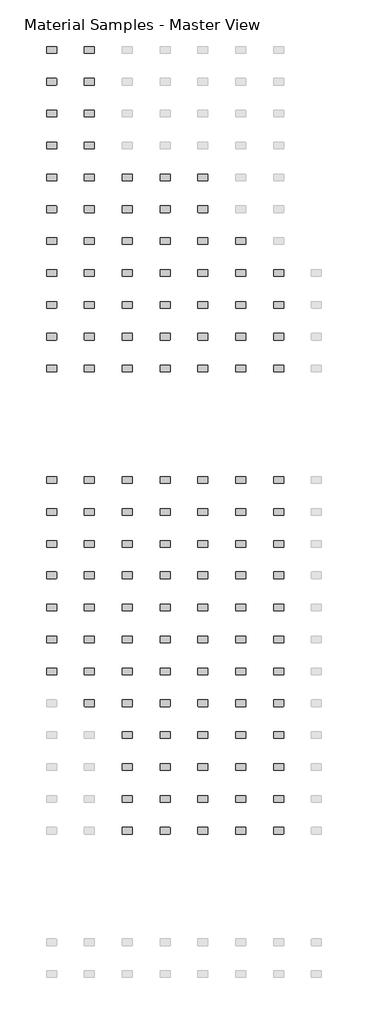
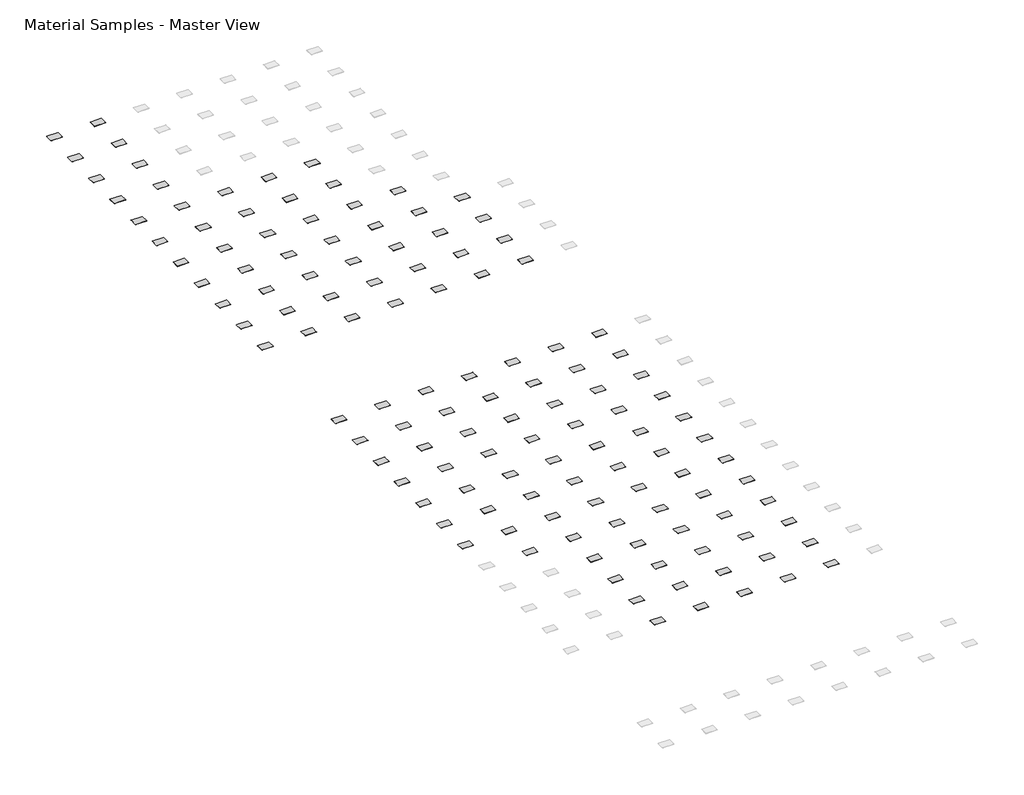
# One storey, part 7 of 12: 127 furniture elements.
"""IFC4 building model written with IfcOpenShell, lengths in millimetres."""

import ifcopenshell
import ifcopenshell.guid

model = None  # the IFC model being written
_history = None  # IfcOwnerHistory: only IFC2X3 demands one
_inside = {}  # id of a spatial element -> (the spatial element, [elements in it])
_under = {}  # id of a project, library or spatial element -> (it, [spatial elements below it])
_declared = {}  # id of a project -> (the project, [libraries it declares])
_typed = {}  # id of a type object -> (the type object, [elements of that type])
_made_of = {}  # id of a material, layer set ... -> (it, [elements and type objects made of it])


def new_model(schema):
    """Start an empty IFC model of exactly this schema.

    Asked for "IFC4X3", IfcOpenShell would pick the latest addendum, in which some entities
    have other attributes; the version numbers below select the first issue.
    IFC2X3 requires an IfcOwnerHistory on every rooted entity: one is made here for all.
    """
    global model, _history
    if schema == "IFC4X3":
        model = ifcopenshell.file(schema_version=(4, 3, 0, 0))
    else:
        model = ifcopenshell.file(schema=schema)
    _inside.clear()
    _under.clear()
    _declared.clear()
    _typed.clear()
    _made_of.clear()
    _history = None
    if model.schema == "IFC2X3":
        org = make("IfcOrganization", Name="unknown")
        user = make(
            "IfcPersonAndOrganization",
            ThePerson=make("IfcPerson", FamilyName="unknown"),
            TheOrganization=org,
        )
        app = make(
            "IfcApplication",
            ApplicationDeveloper=org,
            Version="unknown",
            ApplicationFullName="unknown",
            ApplicationIdentifier="unknown",
        )
        _history = make(
            "IfcOwnerHistory",
            OwningUser=user,
            OwningApplication=app,
            ChangeAction="ADDED",
            CreationDate=0,
        )
    return model


def make(cls, **values):
    """One entity of the class cls with the attributes given. An attribute that is None is left unset."""
    return model.create_entity(
        cls, **{name: value for name, value in values.items() if value is not None}
    )


def rooted(cls, **values):
    """An entity with a GlobalId (a new one), such as an element, a storey or a relation."""
    return make(cls, GlobalId=ifcopenshell.guid.new(), OwnerHistory=_history, **values)


def si_unit(unit_type, name, prefix=None):
    """IfcSIUnit, for example si_unit("LENGTHUNIT", "METRE", prefix="MILLI")."""
    return make("IfcSIUnit", UnitType=unit_type, Prefix=prefix, Name=name)


def assignment(units):
    """IfcUnitAssignment: the units of a project."""
    return None if units is None else make("IfcUnitAssignment", Units=units)


def point(xyz):
    """IfcCartesianPoint."""
    return None if xyz is None else make("IfcCartesianPoint", Coordinates=xyz)


def direction(xyz):
    """IfcDirection."""
    return None if xyz is None else make("IfcDirection", DirectionRatios=xyz)


def frame(location, z_axis=None, x_axis=None):
    """IfcAxis2Placement3D, a coordinate frame: its origin and axes. An axis left out is left unset."""
    return make(
        "IfcAxis2Placement3D",
        Location=point(location),
        Axis=direction(z_axis),
        RefDirection=direction(x_axis),
    )


def frame_2d(location, x_axis=None):
    """IfcAxis2Placement2D, a coordinate frame in the plane: its origin and x axis."""
    return make(
        "IfcAxis2Placement2D", Location=point(location), RefDirection=direction(x_axis)
    )


def origin():
    """The frame at (0, 0, 0) with its axes left unset."""
    return frame((0.0, 0.0, 0.0))


def place(relative_to, where):
    """IfcLocalPlacement: puts the frame where relative to a parent placement (None: the world)."""
    return make(
        "IfcLocalPlacement", PlacementRelTo=relative_to, RelativePlacement=where
    )


def context(
    kind, dimensions, precision=None, world=None, true_north=None, identifier=None
):
    """IfcGeometricRepresentationContext, for example the 3D "Model" context."""
    return make(
        "IfcGeometricRepresentationContext",
        ContextIdentifier=identifier,
        ContextType=kind,
        CoordinateSpaceDimension=dimensions,
        Precision=precision,
        WorldCoordinateSystem=world,
        TrueNorth=true_north,
    )


def project(units=None, contexts=None):
    """IfcProject with its units and contexts."""
    return rooted(
        "IfcProject",
        Name="project",
        RepresentationContexts=contexts,
        UnitsInContext=assignment(units),
    )


def spatial(cls, under=None, at=None, **own):
    """A site, building, storey or space (cls), placed at a placement, below another one or the project."""
    s = rooted(cls, ObjectPlacement=at, **own)
    if under is not None:
        _under.setdefault(under.id(), (under, []))[1].append(s)
    return s


def polyline(points):
    """IfcPolyline through the points."""
    return make("IfcPolyline", Points=[point(p) for p in points])


def circle_curve(where, radius):
    """IfcCircle in the frame where."""
    return make("IfcCircle", Position=where, Radius=radius)


def trimmed(basis, trim1, trim2, sense, master):
    """IfcTrimmedCurve: the piece of a basis curve between two trims."""
    return make(
        "IfcTrimmedCurve",
        BasisCurve=basis,
        Trim1=trim1,
        Trim2=trim2,
        SenseAgreement=sense,
        MasterRepresentation=master,
    )


def segment(curve, same_sense, transition):
    """IfcCompositeCurveSegment."""
    return make(
        "IfcCompositeCurveSegment",
        Transition=transition,
        SameSense=same_sense,
        ParentCurve=curve,
    )


def composite_curve(segments, self_intersect=None):
    """IfcCompositeCurve: segments joined end to end."""
    return make("IfcCompositeCurve", Segments=segments, SelfIntersect=self_intersect)


def outline(outer, holes=None, kind="AREA"):
    """IfcArbitraryClosedProfileDef: a profile drawn as a closed curve; with holes, ...WithVoids."""
    if holes is None:
        return make("IfcArbitraryClosedProfileDef", ProfileType=kind, OuterCurve=outer)
    return make(
        "IfcArbitraryProfileDefWithVoids",
        ProfileType=kind,
        OuterCurve=outer,
        InnerCurves=holes,
    )


def extrude(swept, where, along, depth):
    """IfcExtrudedAreaSolid: the profile swept, set in the frame where, extruded along a direction by depth."""
    return make(
        "IfcExtrudedAreaSolid",
        SweptArea=swept,
        Position=where,
        ExtrudedDirection=direction(along),
        Depth=depth,
    )


def shape(context_of_items, identifier, shape_type, items):
    """IfcShapeRepresentation: the items that make up one representation, for example the "Body"."""
    return make(
        "IfcShapeRepresentation",
        ContextOfItems=context_of_items,
        RepresentationIdentifier=identifier,
        RepresentationType=shape_type,
        Items=items,
    )


def source(mapping_origin, context_of_items, identifier, shape_type, items):
    """IfcRepresentationMap: a shape defined once, which mapped items show again and again."""
    return make(
        "IfcRepresentationMap",
        MappingOrigin=mapping_origin,
        MappedRepresentation=shape(context_of_items, identifier, shape_type, items),
    )


def transform(
    local_origin,
    x_axis=None,
    y_axis=None,
    z_axis=None,
    scale=None,
    scale2=None,
    scale3=None,
    uniform=True,
):
    """IfcCartesianTransformationOperator3D, or its non-uniform kind. x_axis, y_axis, z_axis: its Axis1, 2, 3."""
    if uniform:
        return make(
            "IfcCartesianTransformationOperator3D",
            Axis1=direction(x_axis),
            Axis2=direction(y_axis),
            LocalOrigin=point(local_origin),
            Scale=scale,
            Axis3=direction(z_axis),
        )
    return make(
        "IfcCartesianTransformationOperator3DnonUniform",
        Axis1=direction(x_axis),
        Axis2=direction(y_axis),
        LocalOrigin=point(local_origin),
        Scale=scale,
        Axis3=direction(z_axis),
        Scale2=scale2,
        Scale3=scale3,
    )


def mapped(mapping_source, mapping_target):
    """IfcMappedItem: shows the shape of a source again, moved by a transform."""
    return make(
        "IfcMappedItem", MappingSource=mapping_source, MappingTarget=mapping_target
    )


def made_of(thing, what):
    """Note that an element or type object is made of a material, layer set ...; save() writes the relation."""
    if what is not None:
        _made_of.setdefault(what.id(), (what, []))[1].append(thing)
    return thing


def element(
    cls,
    number,
    at=None,
    inside=None,
    cuts=None,
    type_object=None,
    material=None,
    context=None,
    identifier="Body",
    shape_type=None,
    held_by="IfcProductDefinitionShape",
    body=None,
    shapes=None,
    **own,
):
    """One element of the class cls, such as IfcWall. Its Tag is "e" and its number.

    at: its placement. inside: the storey or other place that contains it. cuts: it is an
    opening in that element (IfcRelVoidsElement). A single representation is given by context,
    identifier, shape_type and body (its items); several are given by shapes. held_by: the class
    of the entity that holds the representations. save() writes the other relations.
    """
    e = rooted(cls, Tag="e%d" % number, ObjectPlacement=at, **own)
    if body is not None:
        shapes = [shape(context, identifier, shape_type, body)]
    if shapes is not None:
        e.Representation = make(held_by, Representations=shapes)
    if inside is not None:
        _inside.setdefault(inside.id(), (inside, []))[1].append(e)
    if cuts is not None:
        rooted(
            "IfcRelVoidsElement", RelatingBuildingElement=cuts, RelatedOpeningElement=e
        )
    if type_object is not None:
        _typed.setdefault(type_object.id(), (type_object, []))[1].append(e)
    return made_of(e, material)


def aggregate(whole, parts):
    """IfcRelAggregates: a whole, such as a stair, and the parts it consists of."""
    return rooted("IfcRelAggregates", RelatingObject=whole, RelatedObjects=parts)


def save(model, path):
    """Write the relations noted so far, then the file.

    IfcRelAggregates (storeys below a building ...), IfcRelContainedInSpatialStructure (elements
    in a storey), IfcRelDefinesByType, IfcRelAssociatesMaterial and IfcRelDeclares: one each for
    every whole, place, type object, material and project.
    """
    for whole, parts in _under.values():
        aggregate(whole, parts)
    for where, things in _inside.values():
        rooted(
            "IfcRelContainedInSpatialStructure",
            RelatedElements=things,
            RelatingStructure=where,
        )
    for kind, things in _typed.values():
        rooted("IfcRelDefinesByType", RelatedObjects=things, RelatingType=kind)
    for what, things in _made_of.values():
        rooted("IfcRelAssociatesMaterial", RelatedObjects=things, RelatingMaterial=what)
    for by, libraries in _declared.values():
        rooted("IfcRelDeclares", RelatingContext=by, RelatedDefinitions=libraries)
    model.write(path)


def furniture_2008_material_sample3_2x3x1_8_96bf408c(model_context):
    return source(origin(), model_context, "Body", "SweptSolid", [
        extrude(outline(composite_curve([segment(trimmed(circle_curve(frame_2d((21215.2392185, 10811.8982463)), 6.35), [point((21215.2392185, 10818.2482463))], [point((21221.5892185, 10811.8982463))], False, "CARTESIAN"), True, "CONTINUOUS"), segment(polyline([(21221.5892185, 10811.8982463), (21221.5892185, 10570.5982463)]), True, "CONTINUOUS"), segment(trimmed(circle_curve(frame_2d((21215.2392185, 10570.5982463)), 6.35), [point((21221.5892185, 10570.5982463))], [point((21215.2392185, 10564.2482463))], False, "CARTESIAN"), True, "CONTINUOUS"), segment(polyline([(21215.2392185, 10564.2482463), (20846.9392185, 10564.2482463)]), True, "CONTINUOUS"), segment(trimmed(circle_curve(frame_2d((20846.9392185, 10570.5982463)), 6.35), [point((20846.9392185, 10564.2482463))], [point((20840.5892185, 10570.5982463))], False, "CARTESIAN"), True, "CONTINUOUS"), segment(polyline([(20840.5892185, 10570.5982463), (20840.5892185, 10811.8982463)]), True, "CONTINUOUS"), segment(trimmed(circle_curve(frame_2d((20846.9392185, 10811.8982463)), 6.35), [point((20840.5892185, 10811.8982463))], [point((20846.9392185, 10818.2482463))], False, "CARTESIAN"), True, "CONTINUOUS"), segment(polyline([(20846.9392185, 10818.2482463), (21215.2392185, 10818.2482463)]), True, "CONTINUOUS")], self_intersect=False)), frame((0.0, 0.0, -3.175), z_axis=(0.0, 0.0, 1.0), x_axis=(1.0, 0.0, 0.0)), (0.0, 0.0, 1.0), 3.175),
    ])


model = new_model("IFC4")

# Units and contexts
model_context = context("Model", 3, world=origin())
ifc_project = project(units=[si_unit("LENGTHUNIT", "METRE", prefix="MILLI")], contexts=[model_context])

# Site, building, storey
site = spatial("IfcSite", under=ifc_project)
building = spatial("IfcBuilding", under=site)
storey = spatial("IfcBuildingStorey", under=building, Name="Material Samples - Master View", Elevation=0.0)

# Furniture
placement = place(None, origin())
furniture_2008_material_sample3_2x3x1_8_shape = furniture_2008_material_sample3_2x3x1_8_96bf408c(model_context)
element("IfcFurniture", 1, ObjectType="2008_Material Sample4 : 2x3x1/8", at=placement, inside=storey, context=model_context, shape_type="MappedRepresentation", body=[
    mapped(furniture_2008_material_sample3_2x3x1_8_shape, transform((-41929.7035306, -32016.6275291, 25.4), x_axis=(1.0, 0.0, 0.0), y_axis=(0.0, 1.0, 0.0), z_axis=(0.0, 0.0, 1.0))),
])
element("IfcFurniture", 2, ObjectType="2008_Material Sample4 : 2x3x1/8", at=placement, inside=storey, context=model_context, shape_type="MappedRepresentation", body=[
    mapped(furniture_2008_material_sample3_2x3x1_8_shape, transform((-40481.9035306, -32016.6275291, 25.4), x_axis=(1.0, 0.0, 0.0), y_axis=(0.0, 1.0, 0.0), z_axis=(0.0, 0.0, 1.0))),
])
element("IfcFurniture", 3, ObjectType="2008_Material Sample4 : 2x3x1/8", at=placement, inside=storey, context=model_context, shape_type="MappedRepresentation", body=[
    mapped(furniture_2008_material_sample3_2x3x1_8_shape, transform((-41929.7035306, -33235.8275291, 25.4), x_axis=(1.0, 0.0, 0.0), y_axis=(0.0, 1.0, 0.0), z_axis=(0.0, 0.0, 1.0))),
])
element("IfcFurniture", 4, ObjectType="2008_Material Sample4 : 2x3x1/8", at=placement, inside=storey, context=model_context, shape_type="MappedRepresentation", body=[
    mapped(furniture_2008_material_sample3_2x3x1_8_shape, transform((-40481.9035306, -33235.8275291, 25.4), x_axis=(1.0, 0.0, 0.0), y_axis=(0.0, 1.0, 0.0), z_axis=(0.0, 0.0, 1.0))),
])
element("IfcFurniture", 5, ObjectType="2008_Material Sample4 : 2x3x1/8", at=placement, inside=storey, context=model_context, shape_type="MappedRepresentation", body=[
    mapped(furniture_2008_material_sample3_2x3x1_8_shape, transform((-41929.5927492, -34455.0275291, 25.4), x_axis=(1.0, 0.0, 0.0), y_axis=(0.0, 1.0, 0.0), z_axis=(0.0, 0.0, 1.0))),
])
element("IfcFurniture", 6, ObjectType="2008_Material Sample4 : 2x3x1/8", at=placement, inside=storey, context=model_context, shape_type="MappedRepresentation", body=[
    mapped(furniture_2008_material_sample3_2x3x1_8_shape, transform((-40481.7927492, -34455.0275291, 25.4), x_axis=(1.0, 0.0, 0.0), y_axis=(0.0, 1.0, 0.0), z_axis=(0.0, 0.0, 1.0))),
])
element("IfcFurniture", 7, ObjectType="2008_Material Sample4 : 2x3x1/8", at=placement, inside=storey, context=model_context, shape_type="MappedRepresentation", body=[
    mapped(furniture_2008_material_sample3_2x3x1_8_shape, transform((-41929.7035306, -35674.2275291, 25.4), x_axis=(1.0, 0.0, 0.0), y_axis=(0.0, 1.0, 0.0), z_axis=(0.0, 0.0, 1.0))),
])
element("IfcFurniture", 8, ObjectType="2008_Material Sample4 : 2x3x1/8", at=placement, inside=storey, context=model_context, shape_type="MappedRepresentation", body=[
    mapped(furniture_2008_material_sample3_2x3x1_8_shape, transform((-40481.9035306, -35674.2275291, 25.4), x_axis=(1.0, 0.0, 0.0), y_axis=(0.0, 1.0, 0.0), z_axis=(0.0, 0.0, 1.0))),
])
element("IfcFurniture", 9, ObjectType="2008_Material Sample4 : 2x3x1/8", at=placement, inside=storey, context=model_context, shape_type="MappedRepresentation", body=[
    mapped(furniture_2008_material_sample3_2x3x1_8_shape, transform((-41929.7035306, -36893.4275291, 25.4), x_axis=(1.0, 0.0, 0.0), y_axis=(0.0, 1.0, 0.0), z_axis=(0.0, 0.0, 1.0))),
])
element("IfcFurniture", 10, ObjectType="2008_Material Sample4 : 2x3x1/8", at=placement, inside=storey, context=model_context, shape_type="MappedRepresentation", body=[
    mapped(furniture_2008_material_sample3_2x3x1_8_shape, transform((-40481.9035306, -36893.4275291, 25.4), x_axis=(1.0, 0.0, 0.0), y_axis=(0.0, 1.0, 0.0), z_axis=(0.0, 0.0, 1.0))),
])
element("IfcFurniture", 11, ObjectType="2008_Material Sample4 : 2x3x1/8", at=placement, inside=storey, context=model_context, shape_type="MappedRepresentation", body=[
    mapped(furniture_2008_material_sample3_2x3x1_8_shape, transform((-39034.1035306, -36893.4275291, 25.4), x_axis=(1.0, 0.0, 0.0), y_axis=(0.0, 1.0, 0.0), z_axis=(0.0, 0.0, 1.0))),
])
element("IfcFurniture", 12, ObjectType="2008_Material Sample4 : 2x3x1/8", at=placement, inside=storey, context=model_context, shape_type="MappedRepresentation", body=[
    mapped(furniture_2008_material_sample3_2x3x1_8_shape, transform((-37586.3035306, -36893.4275291, 25.4), x_axis=(1.0, 0.0, 0.0), y_axis=(0.0, 1.0, 0.0), z_axis=(0.0, 0.0, 1.0))),
])
element("IfcFurniture", 13, ObjectType="2008_Material Sample4 : 2x3x1/8", at=placement, inside=storey, context=model_context, shape_type="MappedRepresentation", body=[
    mapped(furniture_2008_material_sample3_2x3x1_8_shape, transform((-36138.5035306, -36893.4275291, 25.4), x_axis=(1.0, 0.0, 0.0), y_axis=(0.0, 1.0, 0.0), z_axis=(0.0, 0.0, 1.0))),
])
element("IfcFurniture", 14, ObjectType="2008_Material Sample4 : 2x3x1/8", at=placement, inside=storey, context=model_context, shape_type="MappedRepresentation", body=[
    mapped(furniture_2008_material_sample3_2x3x1_8_shape, transform((-41929.7035306, -38112.6275291, 25.4), x_axis=(1.0, 0.0, 0.0), y_axis=(0.0, 1.0, 0.0), z_axis=(0.0, 0.0, 1.0))),
])
element("IfcFurniture", 15, ObjectType="2008_Material Sample4 : 2x3x1/8", at=placement, inside=storey, context=model_context, shape_type="MappedRepresentation", body=[
    mapped(furniture_2008_material_sample3_2x3x1_8_shape, transform((-40481.9035306, -38112.6275291, 25.4), x_axis=(1.0, 0.0, 0.0), y_axis=(0.0, 1.0, 0.0), z_axis=(0.0, 0.0, 1.0))),
])
element("IfcFurniture", 16, ObjectType="2008_Material Sample4 : 2x3x1/8", at=placement, inside=storey, context=model_context, shape_type="MappedRepresentation", body=[
    mapped(furniture_2008_material_sample3_2x3x1_8_shape, transform((-39034.1035306, -38112.6275291, 25.4), x_axis=(1.0, 0.0, 0.0), y_axis=(0.0, 1.0, 0.0), z_axis=(0.0, 0.0, 1.0))),
])
element("IfcFurniture", 17, ObjectType="2008_Material Sample4 : 2x3x1/8", at=placement, inside=storey, context=model_context, shape_type="MappedRepresentation", body=[
    mapped(furniture_2008_material_sample3_2x3x1_8_shape, transform((-37586.3035306, -38112.6275291, 25.4), x_axis=(1.0, 0.0, 0.0), y_axis=(0.0, 1.0, 0.0), z_axis=(0.0, 0.0, 1.0))),
])
element("IfcFurniture", 18, ObjectType="2008_Material Sample4 : 2x3x1/8", at=placement, inside=storey, context=model_context, shape_type="MappedRepresentation", body=[
    mapped(furniture_2008_material_sample3_2x3x1_8_shape, transform((-36138.5035306, -38112.6275291, 25.4), x_axis=(1.0, 0.0, 0.0), y_axis=(0.0, 1.0, 0.0), z_axis=(0.0, 0.0, 1.0))),
])
element("IfcFurniture", 19, ObjectType="2008_Material Sample4 : 2x3x1/8", at=placement, inside=storey, context=model_context, shape_type="MappedRepresentation", body=[
    mapped(furniture_2008_material_sample3_2x3x1_8_shape, transform((-41929.5927492, -39331.8275291, 25.4), x_axis=(1.0, 0.0, 0.0), y_axis=(0.0, 1.0, 0.0), z_axis=(0.0, 0.0, 1.0))),
])
element("IfcFurniture", 20, ObjectType="2008_Material Sample4 : 2x3x1/8", at=placement, inside=storey, context=model_context, shape_type="MappedRepresentation", body=[
    mapped(furniture_2008_material_sample3_2x3x1_8_shape, transform((-40481.7927492, -39331.8275291, 25.4), x_axis=(1.0, 0.0, 0.0), y_axis=(0.0, 1.0, 0.0), z_axis=(0.0, 0.0, 1.0))),
])
element("IfcFurniture", 21, ObjectType="2008_Material Sample4 : 2x3x1/8", at=placement, inside=storey, context=model_context, shape_type="MappedRepresentation", body=[
    mapped(furniture_2008_material_sample3_2x3x1_8_shape, transform((-39033.9927492, -39331.8275291, 25.4), x_axis=(1.0, 0.0, 0.0), y_axis=(0.0, 1.0, 0.0), z_axis=(0.0, 0.0, 1.0))),
])
element("IfcFurniture", 22, ObjectType="2008_Material Sample4 : 2x3x1/8", at=placement, inside=storey, context=model_context, shape_type="MappedRepresentation", body=[
    mapped(furniture_2008_material_sample3_2x3x1_8_shape, transform((-37586.1927492, -39331.8275291, 25.4), x_axis=(1.0, 0.0, 0.0), y_axis=(0.0, 1.0, 0.0), z_axis=(0.0, 0.0, 1.0))),
])
element("IfcFurniture", 23, ObjectType="2008_Material Sample4 : 2x3x1/8", at=placement, inside=storey, context=model_context, shape_type="MappedRepresentation", body=[
    mapped(furniture_2008_material_sample3_2x3x1_8_shape, transform((-36138.3927492, -39331.8275291, 25.4), x_axis=(1.0, 0.0, 0.0), y_axis=(0.0, 1.0, 0.0), z_axis=(0.0, 0.0, 1.0))),
])
element("IfcFurniture", 24, ObjectType="2008_Material Sample4 : 2x3x1/8", at=placement, inside=storey, context=model_context, shape_type="MappedRepresentation", body=[
    mapped(furniture_2008_material_sample3_2x3x1_8_shape, transform((-34690.5927492, -39331.8275291, 25.4), x_axis=(1.0, 0.0, 0.0), y_axis=(0.0, 1.0, 0.0), z_axis=(0.0, 0.0, 1.0))),
])
element("IfcFurniture", 25, ObjectType="2008_Material Sample4 : 2x3x1/8", at=placement, inside=storey, context=model_context, shape_type="MappedRepresentation", body=[
    mapped(furniture_2008_material_sample3_2x3x1_8_shape, transform((-41929.7035306, -40551.0275291, 25.4), x_axis=(1.0, 0.0, 0.0), y_axis=(0.0, 1.0, 0.0), z_axis=(0.0, 0.0, 1.0))),
])
element("IfcFurniture", 26, ObjectType="2008_Material Sample4 : 2x3x1/8", at=placement, inside=storey, context=model_context, shape_type="MappedRepresentation", body=[
    mapped(furniture_2008_material_sample3_2x3x1_8_shape, transform((-40481.9035306, -40551.0275291, 25.4), x_axis=(1.0, 0.0, 0.0), y_axis=(0.0, 1.0, 0.0), z_axis=(0.0, 0.0, 1.0))),
])
element("IfcFurniture", 27, ObjectType="2008_Material Sample4 : 2x3x1/8", at=placement, inside=storey, context=model_context, shape_type="MappedRepresentation", body=[
    mapped(furniture_2008_material_sample3_2x3x1_8_shape, transform((-39034.1035306, -40551.0275291, 25.4), x_axis=(1.0, 0.0, 0.0), y_axis=(0.0, 1.0, 0.0), z_axis=(0.0, 0.0, 1.0))),
])
element("IfcFurniture", 28, ObjectType="2008_Material Sample4 : 2x3x1/8", at=placement, inside=storey, context=model_context, shape_type="MappedRepresentation", body=[
    mapped(furniture_2008_material_sample3_2x3x1_8_shape, transform((-37586.3035306, -40551.0275291, 25.4), x_axis=(1.0, 0.0, 0.0), y_axis=(0.0, 1.0, 0.0), z_axis=(0.0, 0.0, 1.0))),
])
element("IfcFurniture", 29, ObjectType="2008_Material Sample4 : 2x3x1/8", at=placement, inside=storey, context=model_context, shape_type="MappedRepresentation", body=[
    mapped(furniture_2008_material_sample3_2x3x1_8_shape, transform((-36138.5035306, -40551.0275291, 25.4), x_axis=(1.0, 0.0, 0.0), y_axis=(0.0, 1.0, 0.0), z_axis=(0.0, 0.0, 1.0))),
])
element("IfcFurniture", 30, ObjectType="2008_Material Sample4 : 2x3x1/8", at=placement, inside=storey, context=model_context, shape_type="MappedRepresentation", body=[
    mapped(furniture_2008_material_sample3_2x3x1_8_shape, transform((-34690.7035306, -40551.0275291, 25.4), x_axis=(1.0, 0.0, 0.0), y_axis=(0.0, 1.0, 0.0), z_axis=(0.0, 0.0, 1.0))),
])
element("IfcFurniture", 31, ObjectType="2008_Material Sample4 : 2x3x1/8", at=placement, inside=storey, context=model_context, shape_type="MappedRepresentation", body=[
    mapped(furniture_2008_material_sample3_2x3x1_8_shape, transform((-33242.9035306, -40551.0275291, 25.4), x_axis=(1.0, 0.0, 0.0), y_axis=(0.0, 1.0, 0.0), z_axis=(0.0, 0.0, 1.0))),
])
element("IfcFurniture", 32, ObjectType="2008_Material Sample4 : 2x3x1/8", at=placement, inside=storey, context=model_context, shape_type="MappedRepresentation", body=[
    mapped(furniture_2008_material_sample3_2x3x1_8_shape, transform((-41929.7035306, -41770.2275291, 25.4), x_axis=(1.0, 0.0, 0.0), y_axis=(0.0, 1.0, 0.0), z_axis=(0.0, 0.0, 1.0))),
])
element("IfcFurniture", 33, ObjectType="2008_Material Sample4 : 2x3x1/8", at=placement, inside=storey, context=model_context, shape_type="MappedRepresentation", body=[
    mapped(furniture_2008_material_sample3_2x3x1_8_shape, transform((-40481.9035306, -41770.2275291, 25.4), x_axis=(1.0, 0.0, 0.0), y_axis=(0.0, 1.0, 0.0), z_axis=(0.0, 0.0, 1.0))),
])
element("IfcFurniture", 34, ObjectType="2008_Material Sample4 : 2x3x1/8", at=placement, inside=storey, context=model_context, shape_type="MappedRepresentation", body=[
    mapped(furniture_2008_material_sample3_2x3x1_8_shape, transform((-39034.1035306, -41770.2275291, 25.4), x_axis=(1.0, 0.0, 0.0), y_axis=(0.0, 1.0, 0.0), z_axis=(0.0, 0.0, 1.0))),
])
element("IfcFurniture", 35, ObjectType="2008_Material Sample4 : 2x3x1/8", at=placement, inside=storey, context=model_context, shape_type="MappedRepresentation", body=[
    mapped(furniture_2008_material_sample3_2x3x1_8_shape, transform((-37586.3035306, -41770.2275291, 25.4), x_axis=(1.0, 0.0, 0.0), y_axis=(0.0, 1.0, 0.0), z_axis=(0.0, 0.0, 1.0))),
])
element("IfcFurniture", 36, ObjectType="2008_Material Sample4 : 2x3x1/8", at=placement, inside=storey, context=model_context, shape_type="MappedRepresentation", body=[
    mapped(furniture_2008_material_sample3_2x3x1_8_shape, transform((-36138.5035306, -41770.2275291, 25.4), x_axis=(1.0, 0.0, 0.0), y_axis=(0.0, 1.0, 0.0), z_axis=(0.0, 0.0, 1.0))),
])
element("IfcFurniture", 37, ObjectType="2008_Material Sample4 : 2x3x1/8", at=placement, inside=storey, context=model_context, shape_type="MappedRepresentation", body=[
    mapped(furniture_2008_material_sample3_2x3x1_8_shape, transform((-34690.7035306, -41770.2275291, 25.4), x_axis=(1.0, 0.0, 0.0), y_axis=(0.0, 1.0, 0.0), z_axis=(0.0, 0.0, 1.0))),
])
element("IfcFurniture", 38, ObjectType="2008_Material Sample4 : 2x3x1/8", at=placement, inside=storey, context=model_context, shape_type="MappedRepresentation", body=[
    mapped(furniture_2008_material_sample3_2x3x1_8_shape, transform((-33242.9035306, -41770.2275291, 25.4), x_axis=(1.0, 0.0, 0.0), y_axis=(0.0, 1.0, 0.0), z_axis=(0.0, 0.0, 1.0))),
])
element("IfcFurniture", 39, ObjectType="2008_Material Sample4 : 2x3x1/8", at=placement, inside=storey, context=model_context, shape_type="MappedRepresentation", body=[
    mapped(furniture_2008_material_sample3_2x3x1_8_shape, transform((-41929.7035306, -42989.4275291, 25.4), x_axis=(1.0, 0.0, 0.0), y_axis=(0.0, 1.0, 0.0), z_axis=(0.0, 0.0, 1.0))),
])
element("IfcFurniture", 40, ObjectType="2008_Material Sample4 : 2x3x1/8", at=placement, inside=storey, context=model_context, shape_type="MappedRepresentation", body=[
    mapped(furniture_2008_material_sample3_2x3x1_8_shape, transform((-40481.9035306, -42989.4275291, 25.4), x_axis=(1.0, 0.0, 0.0), y_axis=(0.0, 1.0, 0.0), z_axis=(0.0, 0.0, 1.0))),
])
element("IfcFurniture", 41, ObjectType="2008_Material Sample4 : 2x3x1/8", at=placement, inside=storey, context=model_context, shape_type="MappedRepresentation", body=[
    mapped(furniture_2008_material_sample3_2x3x1_8_shape, transform((-39034.1035306, -42989.4275291, 25.4), x_axis=(1.0, 0.0, 0.0), y_axis=(0.0, 1.0, 0.0), z_axis=(0.0, 0.0, 1.0))),
])
element("IfcFurniture", 42, ObjectType="2008_Material Sample4 : 2x3x1/8", at=placement, inside=storey, context=model_context, shape_type="MappedRepresentation", body=[
    mapped(furniture_2008_material_sample3_2x3x1_8_shape, transform((-37586.3035306, -42989.4275291, 25.4), x_axis=(1.0, 0.0, 0.0), y_axis=(0.0, 1.0, 0.0), z_axis=(0.0, 0.0, 1.0))),
])
element("IfcFurniture", 43, ObjectType="2008_Material Sample4 : 2x3x1/8", at=placement, inside=storey, context=model_context, shape_type="MappedRepresentation", body=[
    mapped(furniture_2008_material_sample3_2x3x1_8_shape, transform((-36138.5035306, -42989.4275291, 25.4), x_axis=(1.0, 0.0, 0.0), y_axis=(0.0, 1.0, 0.0), z_axis=(0.0, 0.0, 1.0))),
])
element("IfcFurniture", 44, ObjectType="2008_Material Sample4 : 2x3x1/8", at=placement, inside=storey, context=model_context, shape_type="MappedRepresentation", body=[
    mapped(furniture_2008_material_sample3_2x3x1_8_shape, transform((-34690.7035306, -42989.4275291, 25.4), x_axis=(1.0, 0.0, 0.0), y_axis=(0.0, 1.0, 0.0), z_axis=(0.0, 0.0, 1.0))),
])
element("IfcFurniture", 45, ObjectType="2008_Material Sample4 : 2x3x1/8", at=placement, inside=storey, context=model_context, shape_type="MappedRepresentation", body=[
    mapped(furniture_2008_material_sample3_2x3x1_8_shape, transform((-33242.9035306, -42989.4275291, 25.4), x_axis=(1.0, 0.0, 0.0), y_axis=(0.0, 1.0, 0.0), z_axis=(0.0, 0.0, 1.0))),
])
element("IfcFurniture", 46, ObjectType="2008_Material Sample4 : 2x3x1/8", at=placement, inside=storey, context=model_context, shape_type="MappedRepresentation", body=[
    mapped(furniture_2008_material_sample3_2x3x1_8_shape, transform((-41929.8143121, -44208.6275291, 25.4), x_axis=(1.0, 0.0, 0.0), y_axis=(0.0, 1.0, 0.0), z_axis=(0.0, 0.0, 1.0))),
])
element("IfcFurniture", 47, ObjectType="2008_Material Sample4 : 2x3x1/8", at=placement, inside=storey, context=model_context, shape_type="MappedRepresentation", body=[
    mapped(furniture_2008_material_sample3_2x3x1_8_shape, transform((-40482.0143121, -44208.6275291, 25.4), x_axis=(1.0, 0.0, 0.0), y_axis=(0.0, 1.0, 0.0), z_axis=(0.0, 0.0, 1.0))),
])
element("IfcFurniture", 48, ObjectType="2008_Material Sample4 : 2x3x1/8", at=placement, inside=storey, context=model_context, shape_type="MappedRepresentation", body=[
    mapped(furniture_2008_material_sample3_2x3x1_8_shape, transform((-39034.2143121, -44208.6275291, 25.4), x_axis=(1.0, 0.0, 0.0), y_axis=(0.0, 1.0, 0.0), z_axis=(0.0, 0.0, 1.0))),
])
element("IfcFurniture", 49, ObjectType="2008_Material Sample4 : 2x3x1/8", at=placement, inside=storey, context=model_context, shape_type="MappedRepresentation", body=[
    mapped(furniture_2008_material_sample3_2x3x1_8_shape, transform((-37586.4143121, -44208.6275291, 25.4), x_axis=(1.0, 0.0, 0.0), y_axis=(0.0, 1.0, 0.0), z_axis=(0.0, 0.0, 1.0))),
])
element("IfcFurniture", 50, ObjectType="2008_Material Sample4 : 2x3x1/8", at=placement, inside=storey, context=model_context, shape_type="MappedRepresentation", body=[
    mapped(furniture_2008_material_sample3_2x3x1_8_shape, transform((-36138.6143121, -44208.6275291, 25.4), x_axis=(1.0, 0.0, 0.0), y_axis=(0.0, 1.0, 0.0), z_axis=(0.0, 0.0, 1.0))),
])
element("IfcFurniture", 51, ObjectType="2008_Material Sample4 : 2x3x1/8", at=placement, inside=storey, context=model_context, shape_type="MappedRepresentation", body=[
    mapped(furniture_2008_material_sample3_2x3x1_8_shape, transform((-34690.8143121, -44208.6275291, 25.4), x_axis=(1.0, 0.0, 0.0), y_axis=(0.0, 1.0, 0.0), z_axis=(0.0, 0.0, 1.0))),
])
element("IfcFurniture", 52, ObjectType="2008_Material Sample4 : 2x3x1/8", at=placement, inside=storey, context=model_context, shape_type="MappedRepresentation", body=[
    mapped(furniture_2008_material_sample3_2x3x1_8_shape, transform((-33243.0143121, -44208.6275291, 25.4), x_axis=(1.0, 0.0, 0.0), y_axis=(0.0, 1.0, 0.0), z_axis=(0.0, 0.0, 1.0))),
])
element("IfcFurniture", 53, ObjectType="2008_Material Sample4 : 2x3x1/8", at=placement, inside=storey, context=model_context, shape_type="MappedRepresentation", body=[
    mapped(furniture_2008_material_sample3_2x3x1_8_shape, transform((-41929.7035306, -48475.8275291, 25.4), x_axis=(1.0, 0.0, 0.0), y_axis=(0.0, 1.0, 0.0), z_axis=(0.0, 0.0, 1.0))),
])
element("IfcFurniture", 54, ObjectType="2008_Material Sample4 : 2x3x1/8", at=placement, inside=storey, context=model_context, shape_type="MappedRepresentation", body=[
    mapped(furniture_2008_material_sample3_2x3x1_8_shape, transform((-40481.9035306, -48475.8275291, 25.4), x_axis=(1.0, 0.0, 0.0), y_axis=(0.0, 1.0, 0.0), z_axis=(0.0, 0.0, 1.0))),
])
element("IfcFurniture", 55, ObjectType="2008_Material Sample4 : 2x3x1/8", at=placement, inside=storey, context=model_context, shape_type="MappedRepresentation", body=[
    mapped(furniture_2008_material_sample3_2x3x1_8_shape, transform((-39034.1035306, -48475.8275291, 25.4), x_axis=(1.0, 0.0, 0.0), y_axis=(0.0, 1.0, 0.0), z_axis=(0.0, 0.0, 1.0))),
])
element("IfcFurniture", 56, ObjectType="2008_Material Sample4 : 2x3x1/8", at=placement, inside=storey, context=model_context, shape_type="MappedRepresentation", body=[
    mapped(furniture_2008_material_sample3_2x3x1_8_shape, transform((-37586.3035306, -48475.8275291, 25.4), x_axis=(1.0, 0.0, 0.0), y_axis=(0.0, 1.0, 0.0), z_axis=(0.0, 0.0, 1.0))),
])
element("IfcFurniture", 57, ObjectType="2008_Material Sample4 : 2x3x1/8", at=placement, inside=storey, context=model_context, shape_type="MappedRepresentation", body=[
    mapped(furniture_2008_material_sample3_2x3x1_8_shape, transform((-36138.5035306, -48475.8275291, 25.4), x_axis=(1.0, 0.0, 0.0), y_axis=(0.0, 1.0, 0.0), z_axis=(0.0, 0.0, 1.0))),
])
element("IfcFurniture", 58, ObjectType="2008_Material Sample4 : 2x3x1/8", at=placement, inside=storey, context=model_context, shape_type="MappedRepresentation", body=[
    mapped(furniture_2008_material_sample3_2x3x1_8_shape, transform((-34690.7035306, -48475.8275291, 25.4), x_axis=(1.0, 0.0, 0.0), y_axis=(0.0, 1.0, 0.0), z_axis=(0.0, 0.0, 1.0))),
])
element("IfcFurniture", 59, ObjectType="2008_Material Sample4 : 2x3x1/8", at=placement, inside=storey, context=model_context, shape_type="MappedRepresentation", body=[
    mapped(furniture_2008_material_sample3_2x3x1_8_shape, transform((-33242.9035306, -48475.8275291, 25.4), x_axis=(1.0, 0.0, 0.0), y_axis=(0.0, 1.0, 0.0), z_axis=(0.0, 0.0, 1.0))),
])
element("IfcFurniture", 60, ObjectType="2008_Material Sample4 : 2x3x1/8", at=placement, inside=storey, context=model_context, shape_type="MappedRepresentation", body=[
    mapped(furniture_2008_material_sample3_2x3x1_8_shape, transform((-41929.7035306, -49695.0275291, 25.4), x_axis=(1.0, 0.0, 0.0), y_axis=(0.0, 1.0, 0.0), z_axis=(0.0, 0.0, 1.0))),
])
element("IfcFurniture", 61, ObjectType="2008_Material Sample4 : 2x3x1/8", at=placement, inside=storey, context=model_context, shape_type="MappedRepresentation", body=[
    mapped(furniture_2008_material_sample3_2x3x1_8_shape, transform((-40481.9035306, -49695.0275291, 25.4), x_axis=(1.0, 0.0, 0.0), y_axis=(0.0, 1.0, 0.0), z_axis=(0.0, 0.0, 1.0))),
])
element("IfcFurniture", 62, ObjectType="2008_Material Sample4 : 2x3x1/8", at=placement, inside=storey, context=model_context, shape_type="MappedRepresentation", body=[
    mapped(furniture_2008_material_sample3_2x3x1_8_shape, transform((-39034.1035306, -49695.0275291, 25.4), x_axis=(1.0, 0.0, 0.0), y_axis=(0.0, 1.0, 0.0), z_axis=(0.0, 0.0, 1.0))),
])
element("IfcFurniture", 63, ObjectType="2008_Material Sample4 : 2x3x1/8", at=placement, inside=storey, context=model_context, shape_type="MappedRepresentation", body=[
    mapped(furniture_2008_material_sample3_2x3x1_8_shape, transform((-37586.3035306, -49695.0275291, 25.4), x_axis=(1.0, 0.0, 0.0), y_axis=(0.0, 1.0, 0.0), z_axis=(0.0, 0.0, 1.0))),
])
element("IfcFurniture", 64, ObjectType="2008_Material Sample4 : 2x3x1/8", at=placement, inside=storey, context=model_context, shape_type="MappedRepresentation", body=[
    mapped(furniture_2008_material_sample3_2x3x1_8_shape, transform((-36138.5035306, -49695.0275291, 25.4), x_axis=(1.0, 0.0, 0.0), y_axis=(0.0, 1.0, 0.0), z_axis=(0.0, 0.0, 1.0))),
])
element("IfcFurniture", 65, ObjectType="2008_Material Sample4 : 2x3x1/8", at=placement, inside=storey, context=model_context, shape_type="MappedRepresentation", body=[
    mapped(furniture_2008_material_sample3_2x3x1_8_shape, transform((-34690.7035306, -49695.0275291, 25.4), x_axis=(1.0, 0.0, 0.0), y_axis=(0.0, 1.0, 0.0), z_axis=(0.0, 0.0, 1.0))),
])
element("IfcFurniture", 66, ObjectType="2008_Material Sample4 : 2x3x1/8", at=placement, inside=storey, context=model_context, shape_type="MappedRepresentation", body=[
    mapped(furniture_2008_material_sample3_2x3x1_8_shape, transform((-33242.9035306, -49695.0275291, 25.4), x_axis=(1.0, 0.0, 0.0), y_axis=(0.0, 1.0, 0.0), z_axis=(0.0, 0.0, 1.0))),
])
element("IfcFurniture", 67, ObjectType="2008_Material Sample4 : 2x3x1/8", at=placement, inside=storey, context=model_context, shape_type="MappedRepresentation", body=[
    mapped(furniture_2008_material_sample3_2x3x1_8_shape, transform((-41929.7035306, -50914.2275291, 25.4), x_axis=(1.0, 0.0, 0.0), y_axis=(0.0, 1.0, 0.0), z_axis=(0.0, 0.0, 1.0))),
])
element("IfcFurniture", 68, ObjectType="2008_Material Sample4 : 2x3x1/8", at=placement, inside=storey, context=model_context, shape_type="MappedRepresentation", body=[
    mapped(furniture_2008_material_sample3_2x3x1_8_shape, transform((-40481.9035306, -50914.2275291, 25.4), x_axis=(1.0, 0.0, 0.0), y_axis=(0.0, 1.0, 0.0), z_axis=(0.0, 0.0, 1.0))),
])
element("IfcFurniture", 69, ObjectType="2008_Material Sample4 : 2x3x1/8", at=placement, inside=storey, context=model_context, shape_type="MappedRepresentation", body=[
    mapped(furniture_2008_material_sample3_2x3x1_8_shape, transform((-39034.1035306, -50914.2275291, 25.4), x_axis=(1.0, 0.0, 0.0), y_axis=(0.0, 1.0, 0.0), z_axis=(0.0, 0.0, 1.0))),
])
element("IfcFurniture", 70, ObjectType="2008_Material Sample4 : 2x3x1/8", at=placement, inside=storey, context=model_context, shape_type="MappedRepresentation", body=[
    mapped(furniture_2008_material_sample3_2x3x1_8_shape, transform((-37586.3035306, -50914.2275291, 25.4), x_axis=(1.0, 0.0, 0.0), y_axis=(0.0, 1.0, 0.0), z_axis=(0.0, 0.0, 1.0))),
])
element("IfcFurniture", 71, ObjectType="2008_Material Sample4 : 2x3x1/8", at=placement, inside=storey, context=model_context, shape_type="MappedRepresentation", body=[
    mapped(furniture_2008_material_sample3_2x3x1_8_shape, transform((-36138.5035306, -50914.2275291, 25.4), x_axis=(1.0, 0.0, 0.0), y_axis=(0.0, 1.0, 0.0), z_axis=(0.0, 0.0, 1.0))),
])
element("IfcFurniture", 72, ObjectType="2008_Material Sample4 : 2x3x1/8", at=placement, inside=storey, context=model_context, shape_type="MappedRepresentation", body=[
    mapped(furniture_2008_material_sample3_2x3x1_8_shape, transform((-34690.7035306, -50914.2275291, 25.4), x_axis=(1.0, 0.0, 0.0), y_axis=(0.0, 1.0, 0.0), z_axis=(0.0, 0.0, 1.0))),
])
element("IfcFurniture", 73, ObjectType="2008_Material Sample4 : 2x3x1/8", at=placement, inside=storey, context=model_context, shape_type="MappedRepresentation", body=[
    mapped(furniture_2008_material_sample3_2x3x1_8_shape, transform((-33242.9035306, -50914.2275291, 25.4), x_axis=(1.0, 0.0, 0.0), y_axis=(0.0, 1.0, 0.0), z_axis=(0.0, 0.0, 1.0))),
])
element("IfcFurniture", 74, ObjectType="2008_Material Sample4 : 2x3x1/8", at=placement, inside=storey, context=model_context, shape_type="MappedRepresentation", body=[
    mapped(furniture_2008_material_sample3_2x3x1_8_shape, transform((-41929.7035306, -52114.3775291, 25.4), x_axis=(1.0, 0.0, 0.0), y_axis=(0.0, 1.0, 0.0), z_axis=(0.0, 0.0, 1.0))),
])
element("IfcFurniture", 75, ObjectType="2008_Material Sample4 : 2x3x1/8", at=placement, inside=storey, context=model_context, shape_type="MappedRepresentation", body=[
    mapped(furniture_2008_material_sample3_2x3x1_8_shape, transform((-40481.9035306, -52114.3775291, 25.4), x_axis=(1.0, 0.0, 0.0), y_axis=(0.0, 1.0, 0.0), z_axis=(0.0, 0.0, 1.0))),
])
element("IfcFurniture", 76, ObjectType="2008_Material Sample4 : 2x3x1/8", at=placement, inside=storey, context=model_context, shape_type="MappedRepresentation", body=[
    mapped(furniture_2008_material_sample3_2x3x1_8_shape, transform((-39034.1035306, -52114.3775291, 25.4), x_axis=(1.0, 0.0, 0.0), y_axis=(0.0, 1.0, 0.0), z_axis=(0.0, 0.0, 1.0))),
])
element("IfcFurniture", 77, ObjectType="2008_Material Sample4 : 2x3x1/8", at=placement, inside=storey, context=model_context, shape_type="MappedRepresentation", body=[
    mapped(furniture_2008_material_sample3_2x3x1_8_shape, transform((-37586.3035306, -52114.3775291, 25.4), x_axis=(1.0, 0.0, 0.0), y_axis=(0.0, 1.0, 0.0), z_axis=(0.0, 0.0, 1.0))),
])
element("IfcFurniture", 78, ObjectType="2008_Material Sample4 : 2x3x1/8", at=placement, inside=storey, context=model_context, shape_type="MappedRepresentation", body=[
    mapped(furniture_2008_material_sample3_2x3x1_8_shape, transform((-36138.5035306, -52114.3775291, 25.4), x_axis=(1.0, 0.0, 0.0), y_axis=(0.0, 1.0, 0.0), z_axis=(0.0, 0.0, 1.0))),
])
element("IfcFurniture", 79, ObjectType="2008_Material Sample4 : 2x3x1/8", at=placement, inside=storey, context=model_context, shape_type="MappedRepresentation", body=[
    mapped(furniture_2008_material_sample3_2x3x1_8_shape, transform((-34690.7035306, -52114.3775291, 25.4), x_axis=(1.0, 0.0, 0.0), y_axis=(0.0, 1.0, 0.0), z_axis=(0.0, 0.0, 1.0))),
])
element("IfcFurniture", 80, ObjectType="2008_Material Sample4 : 2x3x1/8", at=placement, inside=storey, context=model_context, shape_type="MappedRepresentation", body=[
    mapped(furniture_2008_material_sample3_2x3x1_8_shape, transform((-33242.9035306, -52114.3775291, 25.4), x_axis=(1.0, 0.0, 0.0), y_axis=(0.0, 1.0, 0.0), z_axis=(0.0, 0.0, 1.0))),
])
element("IfcFurniture", 81, ObjectType="2008_Material Sample4 : 2x3x1/8", at=placement, inside=storey, context=model_context, shape_type="MappedRepresentation", body=[
    mapped(furniture_2008_material_sample3_2x3x1_8_shape, transform((-41929.7035306, -53352.6275291, 25.4), x_axis=(1.0, 0.0, 0.0), y_axis=(0.0, 1.0, 0.0), z_axis=(0.0, 0.0, 1.0))),
])
element("IfcFurniture", 82, ObjectType="2008_Material Sample4 : 2x3x1/8", at=placement, inside=storey, context=model_context, shape_type="MappedRepresentation", body=[
    mapped(furniture_2008_material_sample3_2x3x1_8_shape, transform((-40481.9035306, -53352.6275291, 25.4), x_axis=(1.0, 0.0, 0.0), y_axis=(0.0, 1.0, 0.0), z_axis=(0.0, 0.0, 1.0))),
])
element("IfcFurniture", 83, ObjectType="2008_Material Sample4 : 2x3x1/8", at=placement, inside=storey, context=model_context, shape_type="MappedRepresentation", body=[
    mapped(furniture_2008_material_sample3_2x3x1_8_shape, transform((-39034.1035306, -53352.6275291, 25.4), x_axis=(1.0, 0.0, 0.0), y_axis=(0.0, 1.0, 0.0), z_axis=(0.0, 0.0, 1.0))),
])
element("IfcFurniture", 84, ObjectType="2008_Material Sample4 : 2x3x1/8", at=placement, inside=storey, context=model_context, shape_type="MappedRepresentation", body=[
    mapped(furniture_2008_material_sample3_2x3x1_8_shape, transform((-37586.3035306, -53352.6275291, 25.4), x_axis=(1.0, 0.0, 0.0), y_axis=(0.0, 1.0, 0.0), z_axis=(0.0, 0.0, 1.0))),
])
element("IfcFurniture", 85, ObjectType="2008_Material Sample4 : 2x3x1/8", at=placement, inside=storey, context=model_context, shape_type="MappedRepresentation", body=[
    mapped(furniture_2008_material_sample3_2x3x1_8_shape, transform((-36138.5035306, -53352.6275291, 25.4), x_axis=(1.0, 0.0, 0.0), y_axis=(0.0, 1.0, 0.0), z_axis=(0.0, 0.0, 1.0))),
])
element("IfcFurniture", 86, ObjectType="2008_Material Sample4 : 2x3x1/8", at=placement, inside=storey, context=model_context, shape_type="MappedRepresentation", body=[
    mapped(furniture_2008_material_sample3_2x3x1_8_shape, transform((-34690.7035306, -53352.6275291, 25.4), x_axis=(1.0, 0.0, 0.0), y_axis=(0.0, 1.0, 0.0), z_axis=(0.0, 0.0, 1.0))),
])
element("IfcFurniture", 87, ObjectType="2008_Material Sample4 : 2x3x1/8", at=placement, inside=storey, context=model_context, shape_type="MappedRepresentation", body=[
    mapped(furniture_2008_material_sample3_2x3x1_8_shape, transform((-33242.9035306, -53352.6275291, 25.4), x_axis=(1.0, 0.0, 0.0), y_axis=(0.0, 1.0, 0.0), z_axis=(0.0, 0.0, 1.0))),
])
element("IfcFurniture", 88, ObjectType="2008_Material Sample4 : 2x3x1/8", at=placement, inside=storey, context=model_context, shape_type="MappedRepresentation", body=[
    mapped(furniture_2008_material_sample3_2x3x1_8_shape, transform((-41929.7035306, -54571.8275291, 25.4), x_axis=(1.0, 0.0, 0.0), y_axis=(0.0, 1.0, 0.0), z_axis=(0.0, 0.0, 1.0))),
])
element("IfcFurniture", 89, ObjectType="2008_Material Sample4 : 2x3x1/8", at=placement, inside=storey, context=model_context, shape_type="MappedRepresentation", body=[
    mapped(furniture_2008_material_sample3_2x3x1_8_shape, transform((-40481.9035306, -54571.8275291, 25.4), x_axis=(1.0, 0.0, 0.0), y_axis=(0.0, 1.0, 0.0), z_axis=(0.0, 0.0, 1.0))),
])
element("IfcFurniture", 90, ObjectType="2008_Material Sample4 : 2x3x1/8", at=placement, inside=storey, context=model_context, shape_type="MappedRepresentation", body=[
    mapped(furniture_2008_material_sample3_2x3x1_8_shape, transform((-39034.1035306, -54571.8275291, 25.4), x_axis=(1.0, 0.0, 0.0), y_axis=(0.0, 1.0, 0.0), z_axis=(0.0, 0.0, 1.0))),
])
element("IfcFurniture", 91, ObjectType="2008_Material Sample4 : 2x3x1/8", at=placement, inside=storey, context=model_context, shape_type="MappedRepresentation", body=[
    mapped(furniture_2008_material_sample3_2x3x1_8_shape, transform((-37586.3035306, -54571.8275291, 25.4), x_axis=(1.0, 0.0, 0.0), y_axis=(0.0, 1.0, 0.0), z_axis=(0.0, 0.0, 1.0))),
])
element("IfcFurniture", 92, ObjectType="2008_Material Sample4 : 2x3x1/8", at=placement, inside=storey, context=model_context, shape_type="MappedRepresentation", body=[
    mapped(furniture_2008_material_sample3_2x3x1_8_shape, transform((-36138.5035306, -54571.8275291, 25.4), x_axis=(1.0, 0.0, 0.0), y_axis=(0.0, 1.0, 0.0), z_axis=(0.0, 0.0, 1.0))),
])
element("IfcFurniture", 93, ObjectType="2008_Material Sample4 : 2x3x1/8", at=placement, inside=storey, context=model_context, shape_type="MappedRepresentation", body=[
    mapped(furniture_2008_material_sample3_2x3x1_8_shape, transform((-34690.7035306, -54571.8275291, 25.4), x_axis=(1.0, 0.0, 0.0), y_axis=(0.0, 1.0, 0.0), z_axis=(0.0, 0.0, 1.0))),
])
element("IfcFurniture", 94, ObjectType="2008_Material Sample4 : 2x3x1/8", at=placement, inside=storey, context=model_context, shape_type="MappedRepresentation", body=[
    mapped(furniture_2008_material_sample3_2x3x1_8_shape, transform((-33242.9035306, -54571.8275291, 25.4), x_axis=(1.0, 0.0, 0.0), y_axis=(0.0, 1.0, 0.0), z_axis=(0.0, 0.0, 1.0))),
])
element("IfcFurniture", 95, ObjectType="2008_Material Sample4 : 2x3x1/8", at=placement, inside=storey, context=model_context, shape_type="MappedRepresentation", body=[
    mapped(furniture_2008_material_sample3_2x3x1_8_shape, transform((-41929.7035306, -55791.0275291, 25.4), x_axis=(1.0, 0.0, 0.0), y_axis=(0.0, 1.0, 0.0), z_axis=(0.0, 0.0, 1.0))),
])
element("IfcFurniture", 96, ObjectType="2008_Material Sample4 : 2x3x1/8", at=placement, inside=storey, context=model_context, shape_type="MappedRepresentation", body=[
    mapped(furniture_2008_material_sample3_2x3x1_8_shape, transform((-40481.9035306, -55791.0275291, 25.4), x_axis=(1.0, 0.0, 0.0), y_axis=(0.0, 1.0, 0.0), z_axis=(0.0, 0.0, 1.0))),
])
element("IfcFurniture", 97, ObjectType="2008_Material Sample4 : 2x3x1/8", at=placement, inside=storey, context=model_context, shape_type="MappedRepresentation", body=[
    mapped(furniture_2008_material_sample3_2x3x1_8_shape, transform((-39034.1035306, -55791.0275291, 25.4), x_axis=(1.0, 0.0, 0.0), y_axis=(0.0, 1.0, 0.0), z_axis=(0.0, 0.0, 1.0))),
])
element("IfcFurniture", 98, ObjectType="2008_Material Sample4 : 2x3x1/8", at=placement, inside=storey, context=model_context, shape_type="MappedRepresentation", body=[
    mapped(furniture_2008_material_sample3_2x3x1_8_shape, transform((-37586.3035306, -55791.0275291, 25.4), x_axis=(1.0, 0.0, 0.0), y_axis=(0.0, 1.0, 0.0), z_axis=(0.0, 0.0, 1.0))),
])
element("IfcFurniture", 99, ObjectType="2008_Material Sample4 : 2x3x1/8", at=placement, inside=storey, context=model_context, shape_type="MappedRepresentation", body=[
    mapped(furniture_2008_material_sample3_2x3x1_8_shape, transform((-36138.5035306, -55791.0275291, 25.4), x_axis=(1.0, 0.0, 0.0), y_axis=(0.0, 1.0, 0.0), z_axis=(0.0, 0.0, 1.0))),
])
element("IfcFurniture", 100, ObjectType="2008_Material Sample4 : 2x3x1/8", at=placement, inside=storey, context=model_context, shape_type="MappedRepresentation", body=[
    mapped(furniture_2008_material_sample3_2x3x1_8_shape, transform((-34690.7035306, -55791.0275291, 25.4), x_axis=(1.0, 0.0, 0.0), y_axis=(0.0, 1.0, 0.0), z_axis=(0.0, 0.0, 1.0))),
])
element("IfcFurniture", 101, ObjectType="2008_Material Sample4 : 2x3x1/8", at=placement, inside=storey, context=model_context, shape_type="MappedRepresentation", body=[
    mapped(furniture_2008_material_sample3_2x3x1_8_shape, transform((-33242.9035306, -55791.0275291, 25.4), x_axis=(1.0, 0.0, 0.0), y_axis=(0.0, 1.0, 0.0), z_axis=(0.0, 0.0, 1.0))),
])
element("IfcFurniture", 102, ObjectType="2008_Material Sample4 : 2x3x1/8", at=placement, inside=storey, context=model_context, shape_type="MappedRepresentation", body=[
    mapped(furniture_2008_material_sample3_2x3x1_8_shape, transform((-40481.9035306, -57010.2275291, 25.4), x_axis=(1.0, 0.0, 0.0), y_axis=(0.0, 1.0, 0.0), z_axis=(0.0, 0.0, 1.0))),
])
element("IfcFurniture", 103, ObjectType="2008_Material Sample4 : 2x3x1/8", at=placement, inside=storey, context=model_context, shape_type="MappedRepresentation", body=[
    mapped(furniture_2008_material_sample3_2x3x1_8_shape, transform((-39034.1035306, -57010.2275291, 25.4), x_axis=(1.0, 0.0, 0.0), y_axis=(0.0, 1.0, 0.0), z_axis=(0.0, 0.0, 1.0))),
])
element("IfcFurniture", 104, ObjectType="2008_Material Sample4 : 2x3x1/8", at=placement, inside=storey, context=model_context, shape_type="MappedRepresentation", body=[
    mapped(furniture_2008_material_sample3_2x3x1_8_shape, transform((-37586.3035306, -57010.2275291, 25.4), x_axis=(1.0, 0.0, 0.0), y_axis=(0.0, 1.0, 0.0), z_axis=(0.0, 0.0, 1.0))),
])
element("IfcFurniture", 105, ObjectType="2008_Material Sample4 : 2x3x1/8", at=placement, inside=storey, context=model_context, shape_type="MappedRepresentation", body=[
    mapped(furniture_2008_material_sample3_2x3x1_8_shape, transform((-36138.5035306, -57010.2275291, 25.4), x_axis=(1.0, 0.0, 0.0), y_axis=(0.0, 1.0, 0.0), z_axis=(0.0, 0.0, 1.0))),
])
element("IfcFurniture", 106, ObjectType="2008_Material Sample4 : 2x3x1/8", at=placement, inside=storey, context=model_context, shape_type="MappedRepresentation", body=[
    mapped(furniture_2008_material_sample3_2x3x1_8_shape, transform((-34690.7035306, -57010.2275291, 25.4), x_axis=(1.0, 0.0, 0.0), y_axis=(0.0, 1.0, 0.0), z_axis=(0.0, 0.0, 1.0))),
])
element("IfcFurniture", 107, ObjectType="2008_Material Sample4 : 2x3x1/8", at=placement, inside=storey, context=model_context, shape_type="MappedRepresentation", body=[
    mapped(furniture_2008_material_sample3_2x3x1_8_shape, transform((-33242.9035306, -57010.2275291, 25.4), x_axis=(1.0, 0.0, 0.0), y_axis=(0.0, 1.0, 0.0), z_axis=(0.0, 0.0, 1.0))),
])
element("IfcFurniture", 108, ObjectType="2008_Material Sample4 : 2x3x1/8", at=placement, inside=storey, context=model_context, shape_type="MappedRepresentation", body=[
    mapped(furniture_2008_material_sample3_2x3x1_8_shape, transform((-39034.3250935, -58229.4275291, 25.4), x_axis=(1.0, 0.0, 0.0), y_axis=(0.0, 1.0, 0.0), z_axis=(0.0, 0.0, 1.0))),
])
element("IfcFurniture", 109, ObjectType="2008_Material Sample4 : 2x3x1/8", at=placement, inside=storey, context=model_context, shape_type="MappedRepresentation", body=[
    mapped(furniture_2008_material_sample3_2x3x1_8_shape, transform((-37586.5250935, -58229.4275291, 25.4), x_axis=(1.0, 0.0, 0.0), y_axis=(0.0, 1.0, 0.0), z_axis=(0.0, 0.0, 1.0))),
])
element("IfcFurniture", 110, ObjectType="2008_Material Sample4 : 2x3x1/8", at=placement, inside=storey, context=model_context, shape_type="MappedRepresentation", body=[
    mapped(furniture_2008_material_sample3_2x3x1_8_shape, transform((-36138.7250935, -58229.4275291, 25.4), x_axis=(1.0, 0.0, 0.0), y_axis=(0.0, 1.0, 0.0), z_axis=(0.0, 0.0, 1.0))),
])
element("IfcFurniture", 111, ObjectType="2008_Material Sample4 : 2x3x1/8", at=placement, inside=storey, context=model_context, shape_type="MappedRepresentation", body=[
    mapped(furniture_2008_material_sample3_2x3x1_8_shape, transform((-34690.9250935, -58229.4275291, 25.4), x_axis=(1.0, 0.0, 0.0), y_axis=(0.0, 1.0, 0.0), z_axis=(0.0, 0.0, 1.0))),
])
element("IfcFurniture", 112, ObjectType="2008_Material Sample4 : 2x3x1/8", at=placement, inside=storey, context=model_context, shape_type="MappedRepresentation", body=[
    mapped(furniture_2008_material_sample3_2x3x1_8_shape, transform((-33243.1250935, -58229.4275291, 25.4), x_axis=(1.0, 0.0, 0.0), y_axis=(0.0, 1.0, 0.0), z_axis=(0.0, 0.0, 1.0))),
])
element("IfcFurniture", 113, ObjectType="2008_Material Sample4 : 2x3x1/8", at=placement, inside=storey, context=model_context, shape_type="MappedRepresentation", body=[
    mapped(furniture_2008_material_sample3_2x3x1_8_shape, transform((-39034.3250935, -59448.6275291, 25.4), x_axis=(1.0, 0.0, 0.0), y_axis=(0.0, 1.0, 0.0), z_axis=(0.0, 0.0, 1.0))),
])
element("IfcFurniture", 114, ObjectType="2008_Material Sample4 : 2x3x1/8", at=placement, inside=storey, context=model_context, shape_type="MappedRepresentation", body=[
    mapped(furniture_2008_material_sample3_2x3x1_8_shape, transform((-37586.5250935, -59448.6275291, 25.4), x_axis=(1.0, 0.0, 0.0), y_axis=(0.0, 1.0, 0.0), z_axis=(0.0, 0.0, 1.0))),
])
element("IfcFurniture", 115, ObjectType="2008_Material Sample4 : 2x3x1/8", at=placement, inside=storey, context=model_context, shape_type="MappedRepresentation", body=[
    mapped(furniture_2008_material_sample3_2x3x1_8_shape, transform((-36138.7250935, -59448.6275291, 25.4), x_axis=(1.0, 0.0, 0.0), y_axis=(0.0, 1.0, 0.0), z_axis=(0.0, 0.0, 1.0))),
])
element("IfcFurniture", 116, ObjectType="2008_Material Sample4 : 2x3x1/8", at=placement, inside=storey, context=model_context, shape_type="MappedRepresentation", body=[
    mapped(furniture_2008_material_sample3_2x3x1_8_shape, transform((-34690.9250935, -59448.6275291, 25.4), x_axis=(1.0, 0.0, 0.0), y_axis=(0.0, 1.0, 0.0), z_axis=(0.0, 0.0, 1.0))),
])
element("IfcFurniture", 117, ObjectType="2008_Material Sample4 : 2x3x1/8", at=placement, inside=storey, context=model_context, shape_type="MappedRepresentation", body=[
    mapped(furniture_2008_material_sample3_2x3x1_8_shape, transform((-33243.1250935, -59448.6275291, 25.4), x_axis=(1.0, 0.0, 0.0), y_axis=(0.0, 1.0, 0.0), z_axis=(0.0, 0.0, 1.0))),
])
element("IfcFurniture", 118, ObjectType="2008_Material Sample4 : 2x3x1/8", at=placement, inside=storey, context=model_context, shape_type="MappedRepresentation", body=[
    mapped(furniture_2008_material_sample3_2x3x1_8_shape, transform((-39034.3250935, -60667.8275291, 25.4), x_axis=(1.0, 0.0, 0.0), y_axis=(0.0, 1.0, 0.0), z_axis=(0.0, 0.0, 1.0))),
])
element("IfcFurniture", 119, ObjectType="2008_Material Sample4 : 2x3x1/8", at=placement, inside=storey, context=model_context, shape_type="MappedRepresentation", body=[
    mapped(furniture_2008_material_sample3_2x3x1_8_shape, transform((-37586.5250935, -60667.8275291, 25.4), x_axis=(1.0, 0.0, 0.0), y_axis=(0.0, 1.0, 0.0), z_axis=(0.0, 0.0, 1.0))),
])
element("IfcFurniture", 120, ObjectType="2008_Material Sample4 : 2x3x1/8", at=placement, inside=storey, context=model_context, shape_type="MappedRepresentation", body=[
    mapped(furniture_2008_material_sample3_2x3x1_8_shape, transform((-36138.7250935, -60667.8275291, 25.4), x_axis=(1.0, 0.0, 0.0), y_axis=(0.0, 1.0, 0.0), z_axis=(0.0, 0.0, 1.0))),
])
element("IfcFurniture", 121, ObjectType="2008_Material Sample4 : 2x3x1/8", at=placement, inside=storey, context=model_context, shape_type="MappedRepresentation", body=[
    mapped(furniture_2008_material_sample3_2x3x1_8_shape, transform((-34690.9250935, -60667.8275291, 25.4), x_axis=(1.0, 0.0, 0.0), y_axis=(0.0, 1.0, 0.0), z_axis=(0.0, 0.0, 1.0))),
])
element("IfcFurniture", 122, ObjectType="2008_Material Sample4 : 2x3x1/8", at=placement, inside=storey, context=model_context, shape_type="MappedRepresentation", body=[
    mapped(furniture_2008_material_sample3_2x3x1_8_shape, transform((-33243.1250935, -60667.8275291, 25.4), x_axis=(1.0, 0.0, 0.0), y_axis=(0.0, 1.0, 0.0), z_axis=(0.0, 0.0, 1.0))),
])
element("IfcFurniture", 123, ObjectType="2008_Material Sample4 : 2x3x1/8", at=placement, inside=storey, context=model_context, shape_type="MappedRepresentation", body=[
    mapped(furniture_2008_material_sample3_2x3x1_8_shape, transform((-39034.5466565, -61887.0275291, 25.4), x_axis=(1.0, 0.0, 0.0), y_axis=(0.0, 1.0, 0.0), z_axis=(0.0, 0.0, 1.0))),
])
element("IfcFurniture", 124, ObjectType="2008_Material Sample4 : 2x3x1/8", at=placement, inside=storey, context=model_context, shape_type="MappedRepresentation", body=[
    mapped(furniture_2008_material_sample3_2x3x1_8_shape, transform((-37586.7466565, -61887.0275291, 25.4), x_axis=(1.0, 0.0, 0.0), y_axis=(0.0, 1.0, 0.0), z_axis=(0.0, 0.0, 1.0))),
])
element("IfcFurniture", 125, ObjectType="2008_Material Sample4 : 2x3x1/8", at=placement, inside=storey, context=model_context, shape_type="MappedRepresentation", body=[
    mapped(furniture_2008_material_sample3_2x3x1_8_shape, transform((-36138.9466565, -61887.0275291, 25.4), x_axis=(1.0, 0.0, 0.0), y_axis=(0.0, 1.0, 0.0), z_axis=(0.0, 0.0, 1.0))),
])
element("IfcFurniture", 126, ObjectType="2008_Material Sample4 : 2x3x1/8", at=placement, inside=storey, context=model_context, shape_type="MappedRepresentation", body=[
    mapped(furniture_2008_material_sample3_2x3x1_8_shape, transform((-34691.1466565, -61887.0275291, 25.4), x_axis=(1.0, 0.0, 0.0), y_axis=(0.0, 1.0, 0.0), z_axis=(0.0, 0.0, 1.0))),
])
element("IfcFurniture", 127, ObjectType="2008_Material Sample4 : 2x3x1/8", at=placement, inside=storey, context=model_context, shape_type="MappedRepresentation", body=[
    mapped(furniture_2008_material_sample3_2x3x1_8_shape, transform((-33243.3466565, -61887.0275291, 25.4), x_axis=(1.0, 0.0, 0.0), y_axis=(0.0, 1.0, 0.0), z_axis=(0.0, 0.0, 1.0))),
])

save(model, "model.ifc")
